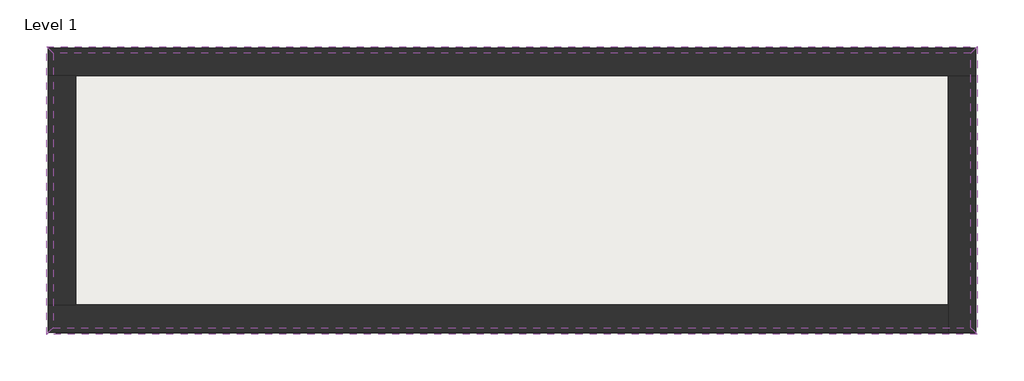
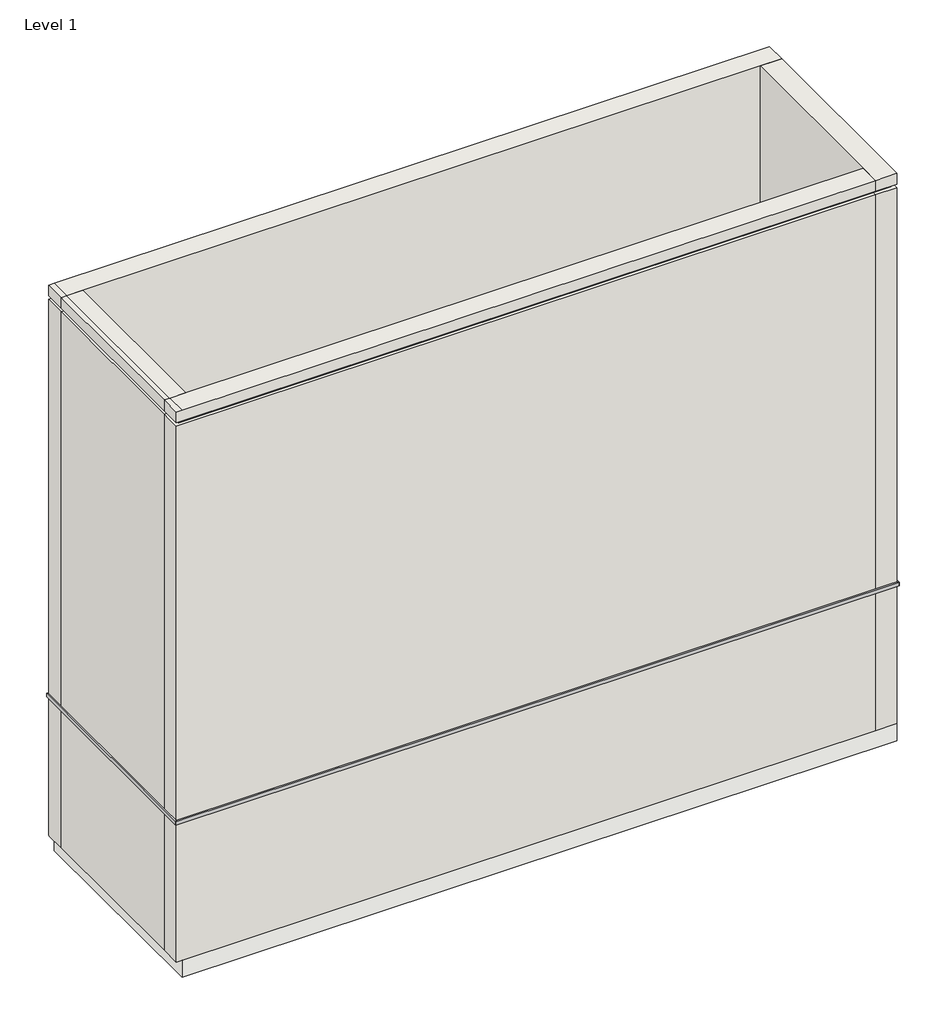
# One storey: 4 proxies, 4 walls, 1 slab.
"""IFC4 building model written with IfcOpenShell, lengths in millimetres."""

from ifc_helpers import new_model, si_unit, frame, origin, place, context, project, spatial, polyline, outline, extrude, faceted_brep, element, save

model = new_model("IFC4")

# Units and contexts
model_context = context("Model", 3, world=origin())
ifc_project = project(units=[si_unit("LENGTHUNIT", "METRE", prefix="MILLI")], contexts=[model_context])

# Site, building, storey
site = spatial("IfcSite", under=ifc_project)
building = spatial("IfcBuilding", under=site)
storey = spatial("IfcBuildingStorey", under=building, Name="Level 1", Elevation=0.0)

# Proxies
placement = place(None, origin())
element("IfcBuildingElementProxy", 1, Name="Reveals", at=placement, inside=storey, context=model_context, shape_type="SweptSolid", body=[
    extrude(outline(polyline([(-17186.690071, 12560.1187851), (-17289.190071, 12662.6187851), (-2805.190071, 12662.6187851), (-2907.690071, 12560.1187851), (-17186.690071, 12560.1187851)])), frame((0.0, 0.0, 2925.0), z_axis=(0.0, 0.0, 1.0), x_axis=(1.0, 0.0, 0.0)), (0.0, 0.0, 1.0), 75.0),
])
element("IfcBuildingElementProxy", 2, Name="Reveals", at=placement, inside=storey, context=model_context, shape_type="SweptSolid", body=[
    extrude(outline(polyline([(-2907.690071, 12560.1187851), (-2805.190071, 12662.6187851), (-2805.190071, 8178.6187851), (-2907.690071, 8281.1187851), (-2907.690071, 12560.1187851)])), frame((0.0, 0.0, 2925.0), z_axis=(0.0, 0.0, 1.0), x_axis=(1.0, 0.0, 0.0)), (0.0, 0.0, 1.0), 75.0),
])
element("IfcBuildingElementProxy", 3, Name="Reveals", at=placement, inside=storey, context=model_context, shape_type="SweptSolid", body=[
    extrude(outline(polyline([(-2907.690071, 8281.1187851), (-2805.190071, 8178.6187851), (-17289.190071, 8178.6187851), (-17186.690071, 8281.1187851), (-2907.690071, 8281.1187851)])), frame((0.0, 0.0, 2925.0), z_axis=(0.0, 0.0, 1.0), x_axis=(1.0, 0.0, 0.0)), (0.0, 0.0, 1.0), 75.0),
])
element("IfcBuildingElementProxy", 4, Name="Reveals", at=placement, inside=storey, context=model_context, shape_type="SweptSolid", body=[
    extrude(outline(polyline([(-17186.690071, 8281.1187851), (-17289.190071, 8178.6187851), (-17289.190071, 12662.6187851), (-17186.690071, 12560.1187851), (-17186.690071, 8281.1187851)])), frame((0.0, 0.0, 2925.0), z_axis=(0.0, 0.0, 1.0), x_axis=(1.0, 0.0, 0.0)), (0.0, 0.0, 1.0), 75.0),
])

# Slab
element("IfcSlab", 5, ObjectType="Concrete-Commercial 362mm", at=placement, inside=storey, context=model_context, shape_type="SweptSolid", body=[
    extrude(outline(polyline([(-2832.690071, 12635.1187851), (-2832.690071, 8206.1187851), (-17147.190071, 8206.1187851), (-17147.190071, 12635.1187851), (-2832.690071, 12635.1187851)])), frame((0.0, 0.0, -362.0), z_axis=(0.0, 0.0, 1.0), x_axis=(1.0, 0.0, 0.0)), (0.0, 0.0, 1.0), 362.0),
])

# Walls
element("IfcWall", 6, ObjectType="Exterior - Render on Brick on Block", at=placement, inside=storey, context=model_context, shape_type="Brep", body=[
    faceted_brep([(-17261.690071, 12206.1187851, 0.0), (-16832.690071, 12206.1187851, 0.0), (-3261.690071, 12206.1187851, 0.0), (-2832.690071, 12206.1187851, 0.0), (-2832.690071, 12206.1187851, 2925.0), (-2907.690071, 12206.1187851, 2925.0), (-2907.690071, 12206.1187851, 3000.0), (-2832.690071, 12206.1187851, 3000.0), (-2832.690071, 12206.1187851, 11338.0), (-2907.690071, 12206.1187851, 11338.0), (-2907.690071, 12206.1187851, 11413.0), (-2832.690071, 12206.1187851, 11413.0), (-2832.690071, 12206.1187851, 11638.0), (-3261.690071, 12206.1187851, 11638.0), (-16832.690071, 12206.1187851, 11638.0), (-17147.190071, 12206.1187851, 11638.0), (-17261.690071, 12206.1187851, 11638.0), (-17261.690071, 12206.1187851, 11413.0), (-17186.690071, 12206.1187851, 11413.0), (-17186.690071, 12206.1187851, 11338.0), (-17261.690071, 12206.1187851, 11338.0), (-17261.690071, 12206.1187851, 3000.0), (-17186.690071, 12206.1187851, 3000.0), (-17186.690071, 12206.1187851, 2925.0), (-17261.690071, 12206.1187851, 2925.0), (-17261.690071, 12635.1187851, 11638.0), (-17147.190071, 12635.1187851, 11638.0), (-2832.690071, 12635.1187851, 11638.0), (-2832.690071, 12635.1187851, 11413.0), (-17261.690071, 12635.1187851, 11413.0), (-2832.690071, 12635.1187851, 0.0), (-17261.690071, 12635.1187851, 0.0), (-17261.690071, 12635.1187851, 2925.0), (-2832.690071, 12635.1187851, 2925.0), (-2832.690071, 12635.1187851, 3000.0), (-17261.690071, 12635.1187851, 3000.0), (-17261.690071, 12635.1187851, 11338.0), (-2832.690071, 12635.1187851, 11338.0), (-2832.690071, 12610.1187851, 0.0), (-17261.690071, 12610.1187851, 0.0), (-2907.690071, 12560.1187851, 3000.0), (-17186.690071, 12560.1187851, 3000.0), (-17186.690071, 12560.1187851, 2925.0), (-2907.690071, 12560.1187851, 2925.0), (-2907.690071, 12560.1187851, 11413.0), (-17186.690071, 12560.1187851, 11413.0), (-17186.690071, 12560.1187851, 11338.0), (-2907.690071, 12560.1187851, 11338.0)], [[[0, 1, 2, 3, 4, 5, 6, 7, 8, 9, 10, 11, 12, 13, 14, 15, 16, 17, 18, 19, 20, 21, 22, 23, 24]], [[25, 26, 27, 28, 29]], [[30, 31, 32, 33]], [[34, 35, 36, 37]], [[27, 12, 11, 28]], [[3, 38, 30, 33, 4]], [[7, 34, 37, 8]], [[16, 25, 29, 17]], [[39, 0, 24, 32, 31]], [[35, 21, 20, 36]], [[25, 16, 15, 26]], [[12, 27, 26, 15, 14, 13]], [[3, 2, 1, 0, 39, 38]], [[39, 31, 30, 38]], [[40, 41, 22, 21, 35, 34, 7, 6]], [[42, 43, 5, 4, 33, 32, 24, 23]], [[41, 42, 23, 22]], [[41, 40, 43, 42]], [[43, 40, 6, 5]], [[44, 45, 18, 17, 29, 28, 11, 10]], [[46, 47, 9, 8, 37, 36, 20, 19]], [[45, 46, 19, 18]], [[45, 44, 47, 46]], [[47, 44, 10, 9]]]),
])
element("IfcWall", 7, ObjectType="Exterior - Render on Brick on Block", at=placement, inside=storey, context=model_context, shape_type="Brep", body=[
    faceted_brep([(-3261.690071, 12206.1187851, 0.0), (-3261.690071, 8635.1187851, 0.0), (-3261.690071, 8206.1187851, 0.0), (-3261.690071, 8206.1187851, 2925.0), (-3261.690071, 8281.1187851, 2925.0), (-3261.690071, 8281.1187851, 3000.0), (-3261.690071, 8206.1187851, 3000.0), (-3261.690071, 8206.1187851, 11338.0), (-3261.690071, 8281.1187851, 11338.0), (-3261.690071, 8281.1187851, 11413.0), (-3261.690071, 8206.1187851, 11413.0), (-3261.690071, 8206.1187851, 11638.0), (-3261.690071, 8635.1187851, 11638.0), (-3261.690071, 12206.1187851, 11638.0), (-2832.690071, 12206.1187851, 11638.0), (-2832.690071, 8206.1187851, 11638.0), (-2832.690071, 8206.1187851, 11413.0), (-2832.690071, 12206.1187851, 11413.0), (-2832.690071, 8206.1187851, 0.0), (-2832.690071, 12206.1187851, 0.0), (-2832.690071, 12206.1187851, 2925.0), (-2832.690071, 8206.1187851, 2925.0), (-2832.690071, 8206.1187851, 3000.0), (-2832.690071, 12206.1187851, 3000.0), (-2832.690071, 12206.1187851, 11338.0), (-2832.690071, 8206.1187851, 11338.0), (-2907.690071, 12206.1187851, 11413.0), (-2907.690071, 12206.1187851, 11338.0), (-2907.690071, 12206.1187851, 3000.0), (-2907.690071, 12206.1187851, 2925.0), (-2857.690071, 12206.1187851, 0.0), (-2857.690071, 8206.1187851, 0.0), (-2907.690071, 8281.1187851, 3000.0), (-2907.690071, 8281.1187851, 2925.0), (-2907.690071, 8281.1187851, 11413.0), (-2907.690071, 8281.1187851, 11338.0)], [[[0, 1, 2, 3, 4, 5, 6, 7, 8, 9, 10, 11, 12, 13]], [[14, 15, 16, 17]], [[18, 19, 20, 21]], [[22, 23, 24, 25]], [[0, 13, 14, 17, 26, 27, 24, 23, 28, 29, 20, 19, 30]], [[15, 11, 10, 16]], [[2, 31, 18, 21, 3]], [[6, 22, 25, 7]], [[13, 12, 11, 15, 14]], [[2, 1, 0, 30, 31]], [[30, 19, 18, 31]], [[5, 32, 28, 23, 22, 6]], [[29, 33, 4, 3, 21, 20]], [[32, 33, 29, 28]], [[33, 32, 5, 4]], [[9, 34, 26, 17, 16, 10]], [[27, 35, 8, 7, 25, 24]], [[34, 35, 27, 26]], [[35, 34, 9, 8]]]),
])
element("IfcWall", 8, ObjectType="Exterior - Render on Brick on Block", at=placement, inside=storey, context=model_context, shape_type="Brep", body=[
    faceted_brep([(-3261.690071, 8635.1187851, 0.0), (-16832.690071, 8635.1187851, 0.0), (-17261.690071, 8635.1187851, 0.0), (-17261.690071, 8635.1187851, 2925.0), (-17186.690071, 8635.1187851, 2925.0), (-17186.690071, 8635.1187851, 3000.0), (-17261.690071, 8635.1187851, 3000.0), (-17261.690071, 8635.1187851, 11338.0), (-17186.690071, 8635.1187851, 11338.0), (-17186.690071, 8635.1187851, 11413.0), (-17261.690071, 8635.1187851, 11413.0), (-17261.690071, 8635.1187851, 11638.0), (-17147.190071, 8635.1187851, 11638.0), (-16832.690071, 8635.1187851, 11638.0), (-3261.690071, 8635.1187851, 11638.0), (-17147.190071, 8206.1187851, 11638.0), (-17261.690071, 8206.1187851, 11638.0), (-17261.690071, 8206.1187851, 11413.0), (-3261.690071, 8206.1187851, 11413.0), (-3261.690071, 8206.1187851, 11638.0), (-17261.690071, 8206.1187851, 0.0), (-3261.690071, 8206.1187851, 0.0), (-3261.690071, 8206.1187851, 2925.0), (-17261.690071, 8206.1187851, 2925.0), (-17261.690071, 8206.1187851, 3000.0), (-3261.690071, 8206.1187851, 3000.0), (-3261.690071, 8206.1187851, 11338.0), (-17261.690071, 8206.1187851, 11338.0), (-3261.690071, 8281.1187851, 11413.0), (-3261.690071, 8281.1187851, 11338.0), (-3261.690071, 8281.1187851, 3000.0), (-3261.690071, 8281.1187851, 2925.0), (-3261.690071, 8231.1187851, 0.0), (-17261.690071, 8231.1187851, 0.0), (-17186.690071, 8281.1187851, 3000.0), (-17186.690071, 8281.1187851, 2925.0), (-17186.690071, 8281.1187851, 11413.0), (-17186.690071, 8281.1187851, 11338.0)], [[[0, 1, 2, 3, 4, 5, 6, 7, 8, 9, 10, 11, 12, 13, 14]], [[15, 16, 17, 18, 19]], [[20, 21, 22, 23]], [[24, 25, 26, 27]], [[0, 14, 19, 18, 28, 29, 26, 25, 30, 31, 22, 21, 32]], [[16, 11, 10, 17]], [[2, 33, 20, 23, 3]], [[6, 24, 27, 7]], [[11, 16, 15, 12]], [[19, 14, 13, 12, 15]], [[2, 1, 0, 32, 33]], [[32, 21, 20, 33]], [[5, 34, 30, 25, 24, 6]], [[31, 35, 4, 3, 23, 22]], [[34, 35, 31, 30]], [[35, 34, 5, 4]], [[9, 36, 28, 18, 17, 10]], [[29, 37, 8, 7, 27, 26]], [[36, 37, 29, 28]], [[37, 36, 9, 8]]]),
])
element("IfcWall", 9, ObjectType="Exterior - Render on Brick on Block", at=placement, inside=storey, context=model_context, shape_type="SweptSolid", body=[
    extrude(outline(polyline([(0.0, -16832.690071), (11638.0, -16832.690071), (11638.0, -17147.190071), (11638.0, -17261.690071), (11413.0, -17261.690071), (11413.0, -17186.690071), (11338.0, -17186.690071), (11338.0, -17261.690071), (3000.0, -17261.690071), (3000.0, -17186.690071), (2925.0, -17186.690071), (2925.0, -17261.690071), (0.0, -17261.690071), (0.0, -17236.690071), (0.0, -16832.690071)])), frame((0.0, 8635.1187851, 0.0), z_axis=(0.0, 1.0, 0.0), x_axis=(0.0, 0.0, 1.0)), (0.0, 0.0, 1.0), 3571.0),
])

save(model, "model.ifc")
